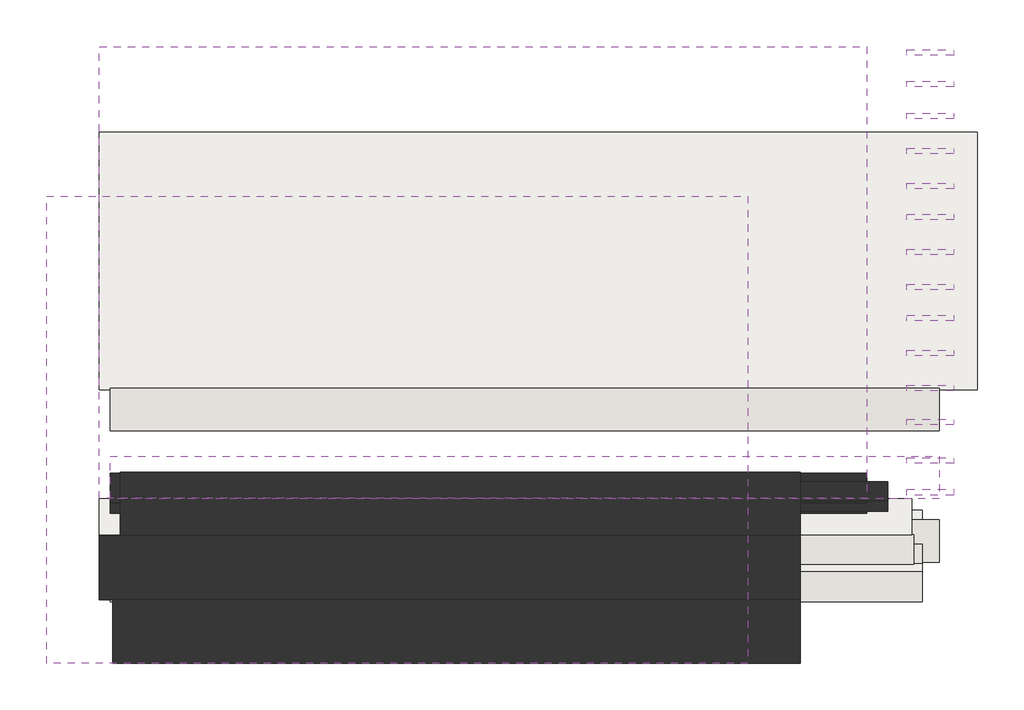
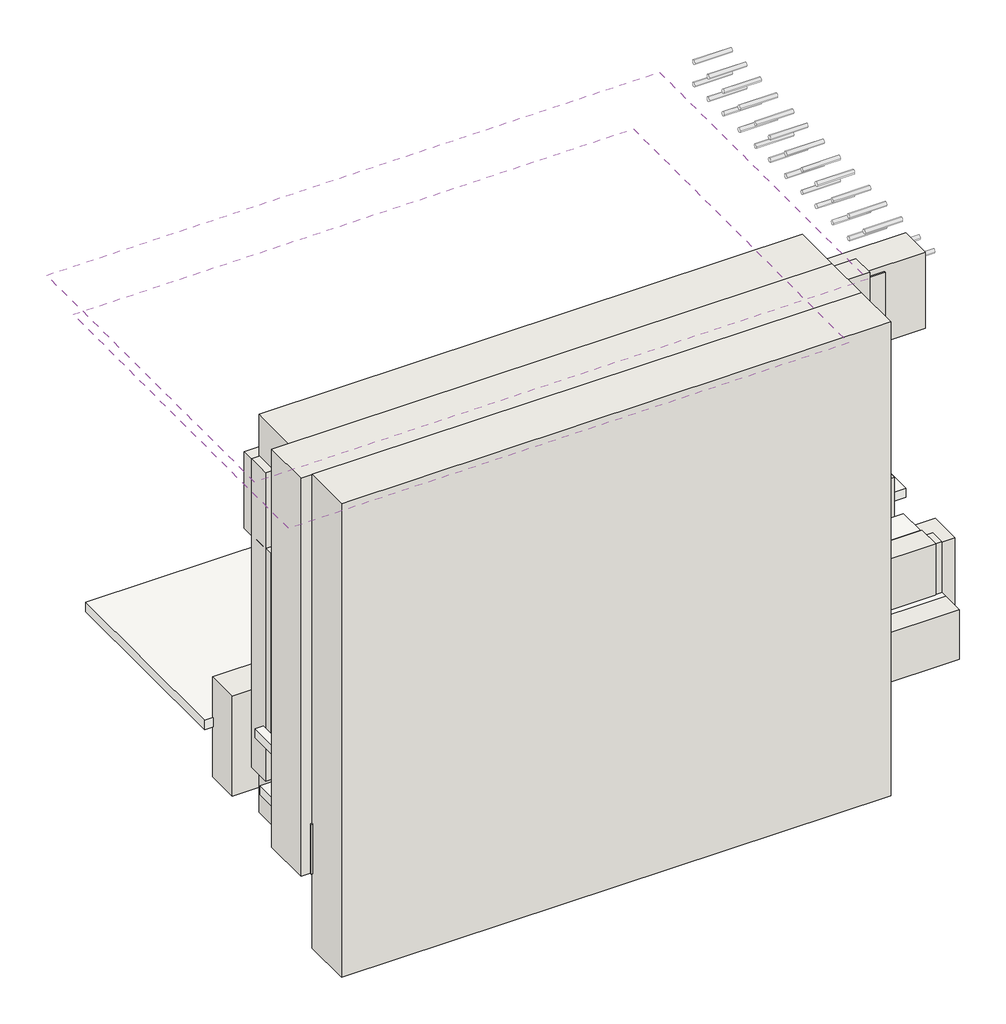
# One storey: 26 pipe segments, 13 walls, 5 coverings.
"""IFC4 building model written with IfcOpenShell, lengths in millimetres."""

from ifc_helpers import new_model, si_unit, point, frame, frame_2d, origin, place, context, project, spatial, polyline, circle_curve, trimmed, segment, composite_curve, outline, extrude, element, save

model = new_model("IFC4")

# Units and contexts
model_context = context("Model", 3, world=origin())
ifc_project = project(units=[si_unit("LENGTHUNIT", "METRE", prefix="MILLI")], contexts=[model_context])

# Site, building, storey
site = spatial("IfcSite", under=ifc_project)
building = spatial("IfcBuilding", under=site)
storey = spatial("IfcBuildingStorey", under=building, Elevation=0.0)

# Coverings
placement = place(None, origin())
element("IfcCovering", 1, at=placement, inside=storey, context=model_context, shape_type="SweptSolid", body=[
    extrude(outline(polyline([(10173.9819706, -17975.2217663), (10173.9819706, -19187.2169509), (6043.0924071, -19187.2169509), (6043.0924071, -17975.2217663), (10173.9819706, -17975.2217663)])), frame((0.0, 0.0, 595.0), z_axis=(0.0, 0.0, 1.0), x_axis=(1.0, 0.0, 0.0)), (0.0, 0.0, 1.0), 57.0),
])
element("IfcCovering", 2, at=placement, inside=storey, context=model_context, shape_type="SweptSolid", body=[
    extrude(outline(polyline([(9913.9819706, -19754.264991), (9913.9819706, -20049.264991), (6043.0924071, -20049.264991), (6043.0924071, -19754.264991), (9913.9819706, -19754.264991)])), frame((0.0, 0.0, 532.674134), z_axis=(0.0, 0.0, 1.0), x_axis=(1.0, 0.0, 0.0)), (0.0, 0.0, 1.0), 57.0),
])
element("IfcCovering", 3, at=placement, inside=storey, context=model_context, shape_type="SweptSolid", body=[
    extrude(outline(polyline([(9863.9819706, -19699.595135), (9863.9819706, -19869.595135), (6043.0924071, -19869.595135), (6043.0924071, -19699.595135), (9863.9819706, -19699.595135)])), frame((0.0, 0.0, 855.0), z_axis=(0.0, 0.0, 1.0), x_axis=(1.0, 0.0, 0.0)), (0.0, 0.0, 1.0), 57.0),
])
element("IfcCovering", 4, at=placement, inside=storey, context=model_context, shape_type="SweptSolid", body=[
    extrude(outline(polyline([(9093.9819706, -18276.8437339), (9093.9819706, -20474.7053603), (5793.9819706, -20474.7053603), (5793.9819706, -18276.8437339), (9093.9819706, -18276.8437339)])), frame((0.0, 0.0, 2715.0), z_axis=(0.0, 0.0, 1.0), x_axis=(1.0, 0.0, 0.0)), (0.0, 0.0, 1.0), 52.0),
])
element("IfcCovering", 5, at=placement, inside=storey, context=model_context, shape_type="SweptSolid", body=[
    extrude(outline(polyline([(9653.9819706, -17573.0223978), (9653.9819706, -19697.9442943), (6043.0924071, -19697.9442943), (6043.0924071, -17573.0223978), (9653.9819706, -17573.0223978)])), frame((0.0, 0.0, 2445.0), z_axis=(0.0, 0.0, 1.0), x_axis=(1.0, 0.0, 0.0)), (0.0, 0.0, 1.0), 57.0),
])

# Pipe segments
element("IfcPipeSegment", 6, at=placement, inside=storey, context=model_context, shape_type="SweptSolid", body=[
    extrude(outline(composite_curve([segment(trimmed(circle_curve(frame_2d((-19339.7053603, 2456.6685523)), 13.335), [point((-19326.3703603, 2456.6685523))], [point((-19339.7053603, 2443.3335523))], False, "CARTESIAN"), True, "CONTINUOUS"), segment(trimmed(circle_curve(frame_2d((-19339.7053603, 2456.6685523)), 13.335), [point((-19339.7053603, 2443.3335523))], [point((-19353.0403603, 2456.6685523))], False, "CARTESIAN"), True, "CONTINUOUS"), segment(trimmed(circle_curve(frame_2d((-19339.7053603, 2456.6685523)), 13.335), [point((-19353.0403603, 2456.6685523))], [point((-19339.7053603, 2470.0035523))], False, "CARTESIAN"), True, "CONTINUOUS"), segment(trimmed(circle_curve(frame_2d((-19339.7053603, 2456.6685523)), 13.335), [point((-19339.7053603, 2470.0035523))], [point((-19326.3703603, 2456.6685523))], False, "CARTESIAN"), True, "CONTINUOUS")], self_intersect=False)), frame((9841.4301299, 0.0, 0.0), z_axis=(1.0, 0.0, 0.0), x_axis=(0.0, 1.0, 0.0)), (0.0, 0.0, 1.0), 220.0),
])
element("IfcPipeSegment", 7, at=placement, inside=storey, context=model_context, shape_type="SweptSolid", body=[
    extrude(outline(composite_curve([segment(trimmed(circle_curve(frame_2d((-19179.7053603, 2456.6685523)), 13.335), [point((-19166.3703603, 2456.6685523))], [point((-19179.7053603, 2443.3335523))], False, "CARTESIAN"), True, "CONTINUOUS"), segment(trimmed(circle_curve(frame_2d((-19179.7053603, 2456.6685523)), 13.335), [point((-19179.7053603, 2443.3335523))], [point((-19193.0403603, 2456.6685523))], False, "CARTESIAN"), True, "CONTINUOUS"), segment(trimmed(circle_curve(frame_2d((-19179.7053603, 2456.6685523)), 13.335), [point((-19193.0403603, 2456.6685523))], [point((-19179.7053603, 2470.0035523))], False, "CARTESIAN"), True, "CONTINUOUS"), segment(trimmed(circle_curve(frame_2d((-19179.7053603, 2456.6685523)), 13.335), [point((-19179.7053603, 2470.0035523))], [point((-19166.3703603, 2456.6685523))], False, "CARTESIAN"), True, "CONTINUOUS")], self_intersect=False)), frame((9841.4301299, 0.0, 0.0), z_axis=(1.0, 0.0, 0.0), x_axis=(0.0, 1.0, 0.0)), (0.0, 0.0, 1.0), 220.0),
])
element("IfcPipeSegment", 8, at=placement, inside=storey, context=model_context, shape_type="SweptSolid", body=[
    extrude(outline(composite_curve([segment(trimmed(circle_curve(frame_2d((-19014.7053603, 2456.6685523)), 13.335), [point((-19001.3703603, 2456.6685523))], [point((-19014.7053603, 2443.3335523))], False, "CARTESIAN"), True, "CONTINUOUS"), segment(trimmed(circle_curve(frame_2d((-19014.7053603, 2456.6685523)), 13.335), [point((-19014.7053603, 2443.3335523))], [point((-19028.0403603, 2456.6685523))], False, "CARTESIAN"), True, "CONTINUOUS"), segment(trimmed(circle_curve(frame_2d((-19014.7053603, 2456.6685523)), 13.335), [point((-19028.0403603, 2456.6685523))], [point((-19014.7053603, 2470.0035523))], False, "CARTESIAN"), True, "CONTINUOUS"), segment(trimmed(circle_curve(frame_2d((-19014.7053603, 2456.6685523)), 13.335), [point((-19014.7053603, 2470.0035523))], [point((-19001.3703603, 2456.6685523))], False, "CARTESIAN"), True, "CONTINUOUS")], self_intersect=False)), frame((9841.4301299, 0.0, 0.0), z_axis=(1.0, 0.0, 0.0), x_axis=(0.0, 1.0, 0.0)), (0.0, 0.0, 1.0), 220.0),
])
element("IfcPipeSegment", 9, at=placement, inside=storey, context=model_context, shape_type="SweptSolid", body=[
    extrude(outline(composite_curve([segment(trimmed(circle_curve(frame_2d((-18849.7053603, 2456.6685523)), 13.335), [point((-18836.3703603, 2456.6685523))], [point((-18849.7053603, 2443.3335523))], False, "CARTESIAN"), True, "CONTINUOUS"), segment(trimmed(circle_curve(frame_2d((-18849.7053603, 2456.6685523)), 13.335), [point((-18849.7053603, 2443.3335523))], [point((-18863.0403603, 2456.6685523))], False, "CARTESIAN"), True, "CONTINUOUS"), segment(trimmed(circle_curve(frame_2d((-18849.7053603, 2456.6685523)), 13.335), [point((-18863.0403603, 2456.6685523))], [point((-18849.7053603, 2470.0035523))], False, "CARTESIAN"), True, "CONTINUOUS"), segment(trimmed(circle_curve(frame_2d((-18849.7053603, 2456.6685523)), 13.335), [point((-18849.7053603, 2470.0035523))], [point((-18836.3703603, 2456.6685523))], False, "CARTESIAN"), True, "CONTINUOUS")], self_intersect=False)), frame((9841.4301299, 0.0, 0.0), z_axis=(1.0, 0.0, 0.0), x_axis=(0.0, 1.0, 0.0)), (0.0, 0.0, 1.0), 220.0),
])
element("IfcPipeSegment", 10, at=placement, inside=storey, context=model_context, shape_type="SweptSolid", body=[
    extrude(outline(composite_curve([segment(trimmed(circle_curve(frame_2d((-18704.7053603, 2456.6685523)), 13.335), [point((-18691.3703603, 2456.6685523))], [point((-18704.7053603, 2443.3335523))], False, "CARTESIAN"), True, "CONTINUOUS"), segment(trimmed(circle_curve(frame_2d((-18704.7053603, 2456.6685523)), 13.335), [point((-18704.7053603, 2443.3335523))], [point((-18718.0403603, 2456.6685523))], False, "CARTESIAN"), True, "CONTINUOUS"), segment(trimmed(circle_curve(frame_2d((-18704.7053603, 2456.6685523)), 13.335), [point((-18718.0403603, 2456.6685523))], [point((-18704.7053603, 2470.0035523))], False, "CARTESIAN"), True, "CONTINUOUS"), segment(trimmed(circle_curve(frame_2d((-18704.7053603, 2456.6685523)), 13.335), [point((-18704.7053603, 2470.0035523))], [point((-18691.3703603, 2456.6685523))], False, "CARTESIAN"), True, "CONTINUOUS")], self_intersect=False)), frame((9841.4301299, 0.0, 0.0), z_axis=(1.0, 0.0, 0.0), x_axis=(0.0, 1.0, 0.0)), (0.0, 0.0, 1.0), 220.0),
])
element("IfcPipeSegment", 11, at=placement, inside=storey, context=model_context, shape_type="SweptSolid", body=[
    extrude(outline(composite_curve([segment(trimmed(circle_curve(frame_2d((-18539.7053603, 2456.6685523)), 13.335), [point((-18526.3703603, 2456.6685523))], [point((-18539.7053603, 2443.3335523))], False, "CARTESIAN"), True, "CONTINUOUS"), segment(trimmed(circle_curve(frame_2d((-18539.7053603, 2456.6685523)), 13.335), [point((-18539.7053603, 2443.3335523))], [point((-18553.0403603, 2456.6685523))], False, "CARTESIAN"), True, "CONTINUOUS"), segment(trimmed(circle_curve(frame_2d((-18539.7053603, 2456.6685523)), 13.335), [point((-18553.0403603, 2456.6685523))], [point((-18539.7053603, 2470.0035523))], False, "CARTESIAN"), True, "CONTINUOUS"), segment(trimmed(circle_curve(frame_2d((-18539.7053603, 2456.6685523)), 13.335), [point((-18539.7053603, 2470.0035523))], [point((-18526.3703603, 2456.6685523))], False, "CARTESIAN"), True, "CONTINUOUS")], self_intersect=False)), frame((9841.4301299, 0.0, 0.0), z_axis=(1.0, 0.0, 0.0), x_axis=(0.0, 1.0, 0.0)), (0.0, 0.0, 1.0), 220.0),
])
element("IfcPipeSegment", 12, at=placement, inside=storey, context=model_context, shape_type="SweptSolid", body=[
    extrude(outline(composite_curve([segment(trimmed(circle_curve(frame_2d((-18374.7053603, 2456.6685523)), 13.335), [point((-18361.3703603, 2456.6685523))], [point((-18374.7053603, 2443.3335523))], False, "CARTESIAN"), True, "CONTINUOUS"), segment(trimmed(circle_curve(frame_2d((-18374.7053603, 2456.6685523)), 13.335), [point((-18374.7053603, 2443.3335523))], [point((-18388.0403603, 2456.6685523))], False, "CARTESIAN"), True, "CONTINUOUS"), segment(trimmed(circle_curve(frame_2d((-18374.7053603, 2456.6685523)), 13.335), [point((-18388.0403603, 2456.6685523))], [point((-18374.7053603, 2470.0035523))], False, "CARTESIAN"), True, "CONTINUOUS"), segment(trimmed(circle_curve(frame_2d((-18374.7053603, 2456.6685523)), 13.335), [point((-18374.7053603, 2470.0035523))], [point((-18361.3703603, 2456.6685523))], False, "CARTESIAN"), True, "CONTINUOUS")], self_intersect=False)), frame((9841.4301299, 0.0, 0.0), z_axis=(1.0, 0.0, 0.0), x_axis=(0.0, 1.0, 0.0)), (0.0, 0.0, 1.0), 220.0),
])
element("IfcPipeSegment", 13, at=placement, inside=storey, context=model_context, shape_type="SweptSolid", body=[
    extrude(outline(composite_curve([segment(trimmed(circle_curve(frame_2d((-18229.7053603, 2456.6685523)), 13.335), [point((-18216.3703603, 2456.6685523))], [point((-18229.7053603, 2443.3335523))], False, "CARTESIAN"), True, "CONTINUOUS"), segment(trimmed(circle_curve(frame_2d((-18229.7053603, 2456.6685523)), 13.335), [point((-18229.7053603, 2443.3335523))], [point((-18243.0403603, 2456.6685523))], False, "CARTESIAN"), True, "CONTINUOUS"), segment(trimmed(circle_curve(frame_2d((-18229.7053603, 2456.6685523)), 13.335), [point((-18243.0403603, 2456.6685523))], [point((-18229.7053603, 2470.0035523))], False, "CARTESIAN"), True, "CONTINUOUS"), segment(trimmed(circle_curve(frame_2d((-18229.7053603, 2456.6685523)), 13.335), [point((-18229.7053603, 2470.0035523))], [point((-18216.3703603, 2456.6685523))], False, "CARTESIAN"), True, "CONTINUOUS")], self_intersect=False)), frame((9841.4301299, 0.0, 0.0), z_axis=(1.0, 0.0, 0.0), x_axis=(0.0, 1.0, 0.0)), (0.0, 0.0, 1.0), 220.0),
])
element("IfcPipeSegment", 14, at=placement, inside=storey, context=model_context, shape_type="SweptSolid", body=[
    extrude(outline(composite_curve([segment(trimmed(circle_curve(frame_2d((-18064.7053603, 2456.6685523)), 13.335), [point((-18051.3703603, 2456.6685523))], [point((-18064.7053603, 2443.3335523))], False, "CARTESIAN"), True, "CONTINUOUS"), segment(trimmed(circle_curve(frame_2d((-18064.7053603, 2456.6685523)), 13.335), [point((-18064.7053603, 2443.3335523))], [point((-18078.0403603, 2456.6685523))], False, "CARTESIAN"), True, "CONTINUOUS"), segment(trimmed(circle_curve(frame_2d((-18064.7053603, 2456.6685523)), 13.335), [point((-18078.0403603, 2456.6685523))], [point((-18064.7053603, 2470.0035523))], False, "CARTESIAN"), True, "CONTINUOUS"), segment(trimmed(circle_curve(frame_2d((-18064.7053603, 2456.6685523)), 13.335), [point((-18064.7053603, 2470.0035523))], [point((-18051.3703603, 2456.6685523))], False, "CARTESIAN"), True, "CONTINUOUS")], self_intersect=False)), frame((9841.4301299, 0.0, 0.0), z_axis=(1.0, 0.0, 0.0), x_axis=(0.0, 1.0, 0.0)), (0.0, 0.0, 1.0), 220.0),
])
element("IfcPipeSegment", 15, at=placement, inside=storey, context=model_context, shape_type="SweptSolid", body=[
    extrude(outline(composite_curve([segment(trimmed(circle_curve(frame_2d((-17899.7053603, 2456.6685523)), 13.335), [point((-17886.3703603, 2456.6685523))], [point((-17899.7053603, 2443.3335523))], False, "CARTESIAN"), True, "CONTINUOUS"), segment(trimmed(circle_curve(frame_2d((-17899.7053603, 2456.6685523)), 13.335), [point((-17899.7053603, 2443.3335523))], [point((-17913.0403603, 2456.6685523))], False, "CARTESIAN"), True, "CONTINUOUS"), segment(trimmed(circle_curve(frame_2d((-17899.7053603, 2456.6685523)), 13.335), [point((-17913.0403603, 2456.6685523))], [point((-17899.7053603, 2470.0035523))], False, "CARTESIAN"), True, "CONTINUOUS"), segment(trimmed(circle_curve(frame_2d((-17899.7053603, 2456.6685523)), 13.335), [point((-17899.7053603, 2470.0035523))], [point((-17886.3703603, 2456.6685523))], False, "CARTESIAN"), True, "CONTINUOUS")], self_intersect=False)), frame((9841.4301299, 0.0, 0.0), z_axis=(1.0, 0.0, 0.0), x_axis=(0.0, 1.0, 0.0)), (0.0, 0.0, 1.0), 220.0),
])
element("IfcPipeSegment", 16, at=placement, inside=storey, context=model_context, shape_type="SweptSolid", body=[
    extrude(outline(composite_curve([segment(trimmed(circle_curve(frame_2d((-17749.7053603, 2456.6685523)), 13.335), [point((-17736.3703603, 2456.6685523))], [point((-17749.7053603, 2443.3335523))], False, "CARTESIAN"), True, "CONTINUOUS"), segment(trimmed(circle_curve(frame_2d((-17749.7053603, 2456.6685523)), 13.335), [point((-17749.7053603, 2443.3335523))], [point((-17763.0403603, 2456.6685523))], False, "CARTESIAN"), True, "CONTINUOUS"), segment(trimmed(circle_curve(frame_2d((-17749.7053603, 2456.6685523)), 13.335), [point((-17763.0403603, 2456.6685523))], [point((-17749.7053603, 2470.0035523))], False, "CARTESIAN"), True, "CONTINUOUS"), segment(trimmed(circle_curve(frame_2d((-17749.7053603, 2456.6685523)), 13.335), [point((-17749.7053603, 2470.0035523))], [point((-17736.3703603, 2456.6685523))], False, "CARTESIAN"), True, "CONTINUOUS")], self_intersect=False)), frame((9841.4301299, 0.0, 0.0), z_axis=(1.0, 0.0, 0.0), x_axis=(0.0, 1.0, 0.0)), (0.0, 0.0, 1.0), 220.0),
])
element("IfcPipeSegment", 17, at=placement, inside=storey, context=model_context, shape_type="SweptSolid", body=[
    extrude(outline(composite_curve([segment(trimmed(circle_curve(frame_2d((-17601.5187281, 2457.5092207)), 13.335), [point((-17588.1837281, 2457.5092207))], [point((-17601.5187281, 2444.1742207))], False, "CARTESIAN"), True, "CONTINUOUS"), segment(trimmed(circle_curve(frame_2d((-17601.5187281, 2457.5092207)), 13.335), [point((-17601.5187281, 2444.1742207))], [point((-17614.8537281, 2457.5092207))], False, "CARTESIAN"), True, "CONTINUOUS"), segment(trimmed(circle_curve(frame_2d((-17601.5187281, 2457.5092207)), 13.335), [point((-17614.8537281, 2457.5092207))], [point((-17601.5187281, 2470.8442207))], False, "CARTESIAN"), True, "CONTINUOUS"), segment(trimmed(circle_curve(frame_2d((-17601.5187281, 2457.5092207)), 13.335), [point((-17601.5187281, 2470.8442207))], [point((-17588.1837281, 2457.5092207))], False, "CARTESIAN"), True, "CONTINUOUS")], self_intersect=False)), frame((9841.4301299, 0.0, 0.0), z_axis=(1.0, 0.0, 0.0), x_axis=(0.0, 1.0, 0.0)), (0.0, 0.0, 1.0), 220.0),
])
element("IfcPipeSegment", 18, at=placement, inside=storey, context=model_context, shape_type="SweptSolid", body=[
    extrude(outline(composite_curve([segment(trimmed(circle_curve(frame_2d((-19339.7053603, 2316.6685523)), 13.335), [point((-19326.3703603, 2316.6685523))], [point((-19339.7053603, 2303.3335523))], False, "CARTESIAN"), True, "CONTINUOUS"), segment(trimmed(circle_curve(frame_2d((-19339.7053603, 2316.6685523)), 13.335), [point((-19339.7053603, 2303.3335523))], [point((-19353.0403603, 2316.6685523))], False, "CARTESIAN"), True, "CONTINUOUS"), segment(trimmed(circle_curve(frame_2d((-19339.7053603, 2316.6685523)), 13.335), [point((-19353.0403603, 2316.6685523))], [point((-19339.7053603, 2330.0035523))], False, "CARTESIAN"), True, "CONTINUOUS"), segment(trimmed(circle_curve(frame_2d((-19339.7053603, 2316.6685523)), 13.335), [point((-19339.7053603, 2330.0035523))], [point((-19326.3703603, 2316.6685523))], False, "CARTESIAN"), True, "CONTINUOUS")], self_intersect=False)), frame((9841.4301299, 0.0, 0.0), z_axis=(1.0, 0.0, 0.0), x_axis=(0.0, 1.0, 0.0)), (0.0, 0.0, 1.0), 220.0),
])
element("IfcPipeSegment", 19, at=placement, inside=storey, context=model_context, shape_type="SweptSolid", body=[
    extrude(outline(composite_curve([segment(trimmed(circle_curve(frame_2d((-19179.7053603, 2316.6685523)), 13.335), [point((-19166.3703603, 2316.6685523))], [point((-19179.7053603, 2303.3335523))], False, "CARTESIAN"), True, "CONTINUOUS"), segment(trimmed(circle_curve(frame_2d((-19179.7053603, 2316.6685523)), 13.335), [point((-19179.7053603, 2303.3335523))], [point((-19193.0403603, 2316.6685523))], False, "CARTESIAN"), True, "CONTINUOUS"), segment(trimmed(circle_curve(frame_2d((-19179.7053603, 2316.6685523)), 13.335), [point((-19193.0403603, 2316.6685523))], [point((-19179.7053603, 2330.0035523))], False, "CARTESIAN"), True, "CONTINUOUS"), segment(trimmed(circle_curve(frame_2d((-19179.7053603, 2316.6685523)), 13.335), [point((-19179.7053603, 2330.0035523))], [point((-19166.3703603, 2316.6685523))], False, "CARTESIAN"), True, "CONTINUOUS")], self_intersect=False)), frame((9841.4301299, 0.0, 0.0), z_axis=(1.0, 0.0, 0.0), x_axis=(0.0, 1.0, 0.0)), (0.0, 0.0, 1.0), 220.0),
])
element("IfcPipeSegment", 20, at=placement, inside=storey, context=model_context, shape_type="SweptSolid", body=[
    extrude(outline(composite_curve([segment(trimmed(circle_curve(frame_2d((-19014.7053603, 2316.6685523)), 13.335), [point((-19001.3703603, 2316.6685523))], [point((-19014.7053603, 2303.3335523))], False, "CARTESIAN"), True, "CONTINUOUS"), segment(trimmed(circle_curve(frame_2d((-19014.7053603, 2316.6685523)), 13.335), [point((-19014.7053603, 2303.3335523))], [point((-19028.0403603, 2316.6685523))], False, "CARTESIAN"), True, "CONTINUOUS"), segment(trimmed(circle_curve(frame_2d((-19014.7053603, 2316.6685523)), 13.335), [point((-19028.0403603, 2316.6685523))], [point((-19014.7053603, 2330.0035523))], False, "CARTESIAN"), True, "CONTINUOUS"), segment(trimmed(circle_curve(frame_2d((-19014.7053603, 2316.6685523)), 13.335), [point((-19014.7053603, 2330.0035523))], [point((-19001.3703603, 2316.6685523))], False, "CARTESIAN"), True, "CONTINUOUS")], self_intersect=False)), frame((9841.4301299, 0.0, 0.0), z_axis=(1.0, 0.0, 0.0), x_axis=(0.0, 1.0, 0.0)), (0.0, 0.0, 1.0), 220.0),
])
element("IfcPipeSegment", 21, at=placement, inside=storey, context=model_context, shape_type="SweptSolid", body=[
    extrude(outline(composite_curve([segment(trimmed(circle_curve(frame_2d((-18849.7053603, 2316.6685523)), 13.335), [point((-18836.3703603, 2316.6685523))], [point((-18849.7053603, 2303.3335523))], False, "CARTESIAN"), True, "CONTINUOUS"), segment(trimmed(circle_curve(frame_2d((-18849.7053603, 2316.6685523)), 13.335), [point((-18849.7053603, 2303.3335523))], [point((-18863.0403603, 2316.6685523))], False, "CARTESIAN"), True, "CONTINUOUS"), segment(trimmed(circle_curve(frame_2d((-18849.7053603, 2316.6685523)), 13.335), [point((-18863.0403603, 2316.6685523))], [point((-18849.7053603, 2330.0035523))], False, "CARTESIAN"), True, "CONTINUOUS"), segment(trimmed(circle_curve(frame_2d((-18849.7053603, 2316.6685523)), 13.335), [point((-18849.7053603, 2330.0035523))], [point((-18836.3703603, 2316.6685523))], False, "CARTESIAN"), True, "CONTINUOUS")], self_intersect=False)), frame((9841.4301299, 0.0, 0.0), z_axis=(1.0, 0.0, 0.0), x_axis=(0.0, 1.0, 0.0)), (0.0, 0.0, 1.0), 220.0),
])
element("IfcPipeSegment", 22, at=placement, inside=storey, context=model_context, shape_type="SweptSolid", body=[
    extrude(outline(composite_curve([segment(trimmed(circle_curve(frame_2d((-18704.7053603, 2316.6685523)), 13.335), [point((-18691.3703603, 2316.6685523))], [point((-18704.7053603, 2303.3335523))], False, "CARTESIAN"), True, "CONTINUOUS"), segment(trimmed(circle_curve(frame_2d((-18704.7053603, 2316.6685523)), 13.335), [point((-18704.7053603, 2303.3335523))], [point((-18718.0403603, 2316.6685523))], False, "CARTESIAN"), True, "CONTINUOUS"), segment(trimmed(circle_curve(frame_2d((-18704.7053603, 2316.6685523)), 13.335), [point((-18718.0403603, 2316.6685523))], [point((-18704.7053603, 2330.0035523))], False, "CARTESIAN"), True, "CONTINUOUS"), segment(trimmed(circle_curve(frame_2d((-18704.7053603, 2316.6685523)), 13.335), [point((-18704.7053603, 2330.0035523))], [point((-18691.3703603, 2316.6685523))], False, "CARTESIAN"), True, "CONTINUOUS")], self_intersect=False)), frame((9841.4301299, 0.0, 0.0), z_axis=(1.0, 0.0, 0.0), x_axis=(0.0, 1.0, 0.0)), (0.0, 0.0, 1.0), 220.0),
])
element("IfcPipeSegment", 23, at=placement, inside=storey, context=model_context, shape_type="SweptSolid", body=[
    extrude(outline(composite_curve([segment(trimmed(circle_curve(frame_2d((-18539.7053603, 2316.6685523)), 13.335), [point((-18526.3703603, 2316.6685523))], [point((-18539.7053603, 2303.3335523))], False, "CARTESIAN"), True, "CONTINUOUS"), segment(trimmed(circle_curve(frame_2d((-18539.7053603, 2316.6685523)), 13.335), [point((-18539.7053603, 2303.3335523))], [point((-18553.0403603, 2316.6685523))], False, "CARTESIAN"), True, "CONTINUOUS"), segment(trimmed(circle_curve(frame_2d((-18539.7053603, 2316.6685523)), 13.335), [point((-18553.0403603, 2316.6685523))], [point((-18539.7053603, 2330.0035523))], False, "CARTESIAN"), True, "CONTINUOUS"), segment(trimmed(circle_curve(frame_2d((-18539.7053603, 2316.6685523)), 13.335), [point((-18539.7053603, 2330.0035523))], [point((-18526.3703603, 2316.6685523))], False, "CARTESIAN"), True, "CONTINUOUS")], self_intersect=False)), frame((9841.4301299, 0.0, 0.0), z_axis=(1.0, 0.0, 0.0), x_axis=(0.0, 1.0, 0.0)), (0.0, 0.0, 1.0), 220.0),
])
element("IfcPipeSegment", 24, at=placement, inside=storey, context=model_context, shape_type="SweptSolid", body=[
    extrude(outline(composite_curve([segment(trimmed(circle_curve(frame_2d((-18374.7053603, 2316.6685523)), 13.335), [point((-18361.3703603, 2316.6685523))], [point((-18374.7053603, 2303.3335523))], False, "CARTESIAN"), True, "CONTINUOUS"), segment(trimmed(circle_curve(frame_2d((-18374.7053603, 2316.6685523)), 13.335), [point((-18374.7053603, 2303.3335523))], [point((-18388.0403603, 2316.6685523))], False, "CARTESIAN"), True, "CONTINUOUS"), segment(trimmed(circle_curve(frame_2d((-18374.7053603, 2316.6685523)), 13.335), [point((-18388.0403603, 2316.6685523))], [point((-18374.7053603, 2330.0035523))], False, "CARTESIAN"), True, "CONTINUOUS"), segment(trimmed(circle_curve(frame_2d((-18374.7053603, 2316.6685523)), 13.335), [point((-18374.7053603, 2330.0035523))], [point((-18361.3703603, 2316.6685523))], False, "CARTESIAN"), True, "CONTINUOUS")], self_intersect=False)), frame((9841.4301299, 0.0, 0.0), z_axis=(1.0, 0.0, 0.0), x_axis=(0.0, 1.0, 0.0)), (0.0, 0.0, 1.0), 220.0),
])
element("IfcPipeSegment", 25, at=placement, inside=storey, context=model_context, shape_type="SweptSolid", body=[
    extrude(outline(composite_curve([segment(trimmed(circle_curve(frame_2d((-18229.7053603, 2316.6685523)), 13.335), [point((-18216.3703603, 2316.6685523))], [point((-18229.7053603, 2303.3335523))], False, "CARTESIAN"), True, "CONTINUOUS"), segment(trimmed(circle_curve(frame_2d((-18229.7053603, 2316.6685523)), 13.335), [point((-18229.7053603, 2303.3335523))], [point((-18243.0403603, 2316.6685523))], False, "CARTESIAN"), True, "CONTINUOUS"), segment(trimmed(circle_curve(frame_2d((-18229.7053603, 2316.6685523)), 13.335), [point((-18243.0403603, 2316.6685523))], [point((-18229.7053603, 2330.0035523))], False, "CARTESIAN"), True, "CONTINUOUS"), segment(trimmed(circle_curve(frame_2d((-18229.7053603, 2316.6685523)), 13.335), [point((-18229.7053603, 2330.0035523))], [point((-18216.3703603, 2316.6685523))], False, "CARTESIAN"), True, "CONTINUOUS")], self_intersect=False)), frame((9841.4301299, 0.0, 0.0), z_axis=(1.0, 0.0, 0.0), x_axis=(0.0, 1.0, 0.0)), (0.0, 0.0, 1.0), 220.0),
])
element("IfcPipeSegment", 26, at=placement, inside=storey, context=model_context, shape_type="SweptSolid", body=[
    extrude(outline(composite_curve([segment(trimmed(circle_curve(frame_2d((-18064.7053603, 2316.6685523)), 13.335), [point((-18051.3703603, 2316.6685523))], [point((-18064.7053603, 2303.3335523))], False, "CARTESIAN"), True, "CONTINUOUS"), segment(trimmed(circle_curve(frame_2d((-18064.7053603, 2316.6685523)), 13.335), [point((-18064.7053603, 2303.3335523))], [point((-18078.0403603, 2316.6685523))], False, "CARTESIAN"), True, "CONTINUOUS"), segment(trimmed(circle_curve(frame_2d((-18064.7053603, 2316.6685523)), 13.335), [point((-18078.0403603, 2316.6685523))], [point((-18064.7053603, 2330.0035523))], False, "CARTESIAN"), True, "CONTINUOUS"), segment(trimmed(circle_curve(frame_2d((-18064.7053603, 2316.6685523)), 13.335), [point((-18064.7053603, 2330.0035523))], [point((-18051.3703603, 2316.6685523))], False, "CARTESIAN"), True, "CONTINUOUS")], self_intersect=False)), frame((9841.4301299, 0.0, 0.0), z_axis=(1.0, 0.0, 0.0), x_axis=(0.0, 1.0, 0.0)), (0.0, 0.0, 1.0), 220.0),
])
element("IfcPipeSegment", 27, at=placement, inside=storey, context=model_context, shape_type="SweptSolid", body=[
    extrude(outline(composite_curve([segment(trimmed(circle_curve(frame_2d((-17899.7053603, 2316.6685523)), 13.335), [point((-17886.3703603, 2316.6685523))], [point((-17899.7053603, 2303.3335523))], False, "CARTESIAN"), True, "CONTINUOUS"), segment(trimmed(circle_curve(frame_2d((-17899.7053603, 2316.6685523)), 13.335), [point((-17899.7053603, 2303.3335523))], [point((-17913.0403603, 2316.6685523))], False, "CARTESIAN"), True, "CONTINUOUS"), segment(trimmed(circle_curve(frame_2d((-17899.7053603, 2316.6685523)), 13.335), [point((-17913.0403603, 2316.6685523))], [point((-17899.7053603, 2330.0035523))], False, "CARTESIAN"), True, "CONTINUOUS"), segment(trimmed(circle_curve(frame_2d((-17899.7053603, 2316.6685523)), 13.335), [point((-17899.7053603, 2330.0035523))], [point((-17886.3703603, 2316.6685523))], False, "CARTESIAN"), True, "CONTINUOUS")], self_intersect=False)), frame((9841.4301299, 0.0, 0.0), z_axis=(1.0, 0.0, 0.0), x_axis=(0.0, 1.0, 0.0)), (0.0, 0.0, 1.0), 220.0),
])
element("IfcPipeSegment", 28, at=placement, inside=storey, context=model_context, shape_type="SweptSolid", body=[
    extrude(outline(composite_curve([segment(trimmed(circle_curve(frame_2d((-17749.7053603, 2316.6685523)), 13.335), [point((-17736.3703603, 2316.6685523))], [point((-17749.7053603, 2303.3335523))], False, "CARTESIAN"), True, "CONTINUOUS"), segment(trimmed(circle_curve(frame_2d((-17749.7053603, 2316.6685523)), 13.335), [point((-17749.7053603, 2303.3335523))], [point((-17763.0403603, 2316.6685523))], False, "CARTESIAN"), True, "CONTINUOUS"), segment(trimmed(circle_curve(frame_2d((-17749.7053603, 2316.6685523)), 13.335), [point((-17763.0403603, 2316.6685523))], [point((-17749.7053603, 2330.0035523))], False, "CARTESIAN"), True, "CONTINUOUS"), segment(trimmed(circle_curve(frame_2d((-17749.7053603, 2316.6685523)), 13.335), [point((-17749.7053603, 2330.0035523))], [point((-17736.3703603, 2316.6685523))], False, "CARTESIAN"), True, "CONTINUOUS")], self_intersect=False)), frame((9841.4301299, 0.0, 0.0), z_axis=(1.0, 0.0, 0.0), x_axis=(0.0, 1.0, 0.0)), (0.0, 0.0, 1.0), 220.0),
])
element("IfcPipeSegment", 29, at=placement, inside=storey, context=model_context, shape_type="SweptSolid", body=[
    extrude(outline(composite_curve([segment(trimmed(circle_curve(frame_2d((-17601.5187281, 2317.5092207)), 13.335), [point((-17588.1837281, 2317.5092207))], [point((-17601.5187281, 2304.1742207))], False, "CARTESIAN"), True, "CONTINUOUS"), segment(trimmed(circle_curve(frame_2d((-17601.5187281, 2317.5092207)), 13.335), [point((-17601.5187281, 2304.1742207))], [point((-17614.8537281, 2317.5092207))], False, "CARTESIAN"), True, "CONTINUOUS"), segment(trimmed(circle_curve(frame_2d((-17601.5187281, 2317.5092207)), 13.335), [point((-17614.8537281, 2317.5092207))], [point((-17601.5187281, 2330.8442207))], False, "CARTESIAN"), True, "CONTINUOUS"), segment(trimmed(circle_curve(frame_2d((-17601.5187281, 2317.5092207)), 13.335), [point((-17601.5187281, 2330.8442207))], [point((-17588.1837281, 2317.5092207))], False, "CARTESIAN"), True, "CONTINUOUS")], self_intersect=False)), frame((9841.4301299, 0.0, 0.0), z_axis=(1.0, 0.0, 0.0), x_axis=(0.0, 1.0, 0.0)), (0.0, 0.0, 1.0), 220.0),
])
element("IfcPipeSegment", 30, at=placement, inside=storey, context=model_context, shape_type="SweptSolid", body=[
    extrude(outline(composite_curve([segment(trimmed(circle_curve(frame_2d((-19669.7053603, 2460.0306645)), 13.335), [point((-19656.3703603, 2460.0306645))], [point((-19669.7053603, 2446.6956645))], False, "CARTESIAN"), True, "CONTINUOUS"), segment(trimmed(circle_curve(frame_2d((-19669.7053603, 2460.0306645)), 13.335), [point((-19669.7053603, 2446.6956645))], [point((-19683.0403603, 2460.0306645))], False, "CARTESIAN"), True, "CONTINUOUS"), segment(trimmed(circle_curve(frame_2d((-19669.7053603, 2460.0306645)), 13.335), [point((-19683.0403603, 2460.0306645))], [point((-19669.7053603, 2473.3656645))], False, "CARTESIAN"), True, "CONTINUOUS"), segment(trimmed(circle_curve(frame_2d((-19669.7053603, 2460.0306645)), 13.335), [point((-19669.7053603, 2473.3656645))], [point((-19656.3703603, 2460.0306645))], False, "CARTESIAN"), True, "CONTINUOUS")], self_intersect=False)), frame((9841.4301299, 0.0, 0.0), z_axis=(1.0, 0.0, 0.0), x_axis=(0.0, 1.0, 0.0)), (0.0, 0.0, 1.0), 220.0),
])
element("IfcPipeSegment", 31, at=placement, inside=storey, context=model_context, shape_type="SweptSolid", body=[
    extrude(outline(composite_curve([segment(trimmed(circle_curve(frame_2d((-19521.260135, 2456.6685523)), 13.335), [point((-19507.925135, 2456.6685523))], [point((-19521.260135, 2443.3335523))], False, "CARTESIAN"), True, "CONTINUOUS"), segment(trimmed(circle_curve(frame_2d((-19521.260135, 2456.6685523)), 13.335), [point((-19521.260135, 2443.3335523))], [point((-19534.595135, 2456.6685523))], False, "CARTESIAN"), True, "CONTINUOUS"), segment(trimmed(circle_curve(frame_2d((-19521.260135, 2456.6685523)), 13.335), [point((-19534.595135, 2456.6685523))], [point((-19521.260135, 2470.0035523))], False, "CARTESIAN"), True, "CONTINUOUS"), segment(trimmed(circle_curve(frame_2d((-19521.260135, 2456.6685523)), 13.335), [point((-19521.260135, 2470.0035523))], [point((-19507.925135, 2456.6685523))], False, "CARTESIAN"), True, "CONTINUOUS")], self_intersect=False)), frame((9841.4301299, 0.0, 0.0), z_axis=(1.0, 0.0, 0.0), x_axis=(0.0, 1.0, 0.0)), (0.0, 0.0, 1.0), 220.0),
])

# Walls
element("IfcWall", 32, at=placement, inside=storey, context=model_context, shape_type="SweptSolid", body=[
    extrude(outline(polyline([(6093.9819706, -19499.595135), (9993.9819706, -19499.595135), (9993.9819706, -19699.595135), (6093.9819706, -19699.595135), (6093.9819706, -19499.595135)])), frame((0.0, 0.0, 2020.0), z_axis=(0.0, 0.0, 1.0), x_axis=(1.0, 0.0, 0.0)), (0.0, 0.0, 1.0), 475.0),
])
element("IfcWall", 33, at=placement, inside=storey, context=model_context, shape_type="SweptSolid", body=[
    extrude(outline(polyline([(6093.9819706, -19799.595135), (9993.9819706, -19799.595135), (9993.9819706, -19999.595135), (6093.9819706, -19999.595135), (6093.9819706, -19799.595135)])), frame((0.0, 0.0, 280.0), z_axis=(0.0, 0.0, 1.0), x_axis=(1.0, 0.0, 0.0)), (0.0, 0.0, 1.0), 620.0),
])
element("IfcWall", 34, at=placement, inside=storey, context=model_context, shape_type="SweptSolid", body=[
    extrude(outline(polyline([(6093.9819706, -19179.595135), (9993.9819706, -19179.595135), (9993.9819706, -19379.595135), (6093.9819706, -19379.595135), (6093.9819706, -19179.595135)])), frame((0.0, 0.0, 280.0), z_axis=(0.0, 0.0, 1.0), x_axis=(1.0, 0.0, 0.0)), (0.0, 0.0, 1.0), 620.0),
])
element("IfcWall", 35, at=placement, inside=storey, context=model_context, shape_type="SweptSolid", body=[
    extrude(outline(polyline([(6105.8207178, -20174.7053603), (9341.185032, -20174.7053603), (9341.185032, -20474.7053603), (6105.8207178, -20474.7053603), (6105.8207178, -20174.7053603)])), frame((0.0, 0.0, -189.3280317), z_axis=(0.0, 0.0, 1.0), x_axis=(1.0, 0.0, 0.0)), (0.0, 0.0, 1.0), 2949.3280317),
])
element("IfcWall", 36, at=placement, inside=storey, context=model_context, shape_type="SweptSolid", body=[
    extrude(outline(polyline([(6041.185032, -19874.7053603), (9341.185032, -19874.7053603), (9341.185032, -20174.7053603), (6041.185032, -20174.7053603), (6041.185032, -19874.7053603)])), frame((0.0, 0.0, 280.0), z_axis=(0.0, 0.0, 1.0), x_axis=(1.0, 0.0, 0.0)), (0.0, 0.0, 1.0), 2477.7084102),
])
element("IfcWall", 37, at=placement, inside=storey, context=model_context, shape_type="SweptSolid", body=[
    extrude(outline(polyline([(6141.185032, -19574.7053603), (9341.185032, -19574.7053603), (9341.185032, -19874.7053603), (6141.185032, -19874.7053603), (6141.185032, -19574.7053603)])), frame((0.0, 0.0, 280.0), z_axis=(0.0, 0.0, 1.0), x_axis=(1.0, 0.0, 0.0)), (0.0, 0.0, 1.0), 2477.7084102),
])
element("IfcWall", 38, at=placement, inside=storey, context=model_context, shape_type="SweptSolid", body=[
    extrude(outline(polyline([(6141.185032, -19619.595135), (9751.185032, -19619.595135), (9751.185032, -19709.595135), (6141.185032, -19709.595135), (6141.185032, -19619.595135)])), frame((0.0, 0.0, 580.0), z_axis=(0.0, 0.0, 1.0), x_axis=(1.0, 0.0, 0.0)), (0.0, 0.0, 1.0), 1880.0),
])
element("IfcWall", 39, at=placement, inside=storey, context=model_context, shape_type="SweptSolid", body=[
    extrude(outline(polyline([(6093.9819706, -19579.7053603), (9653.9819706, -19579.7053603), (9653.9819706, -19719.7053603), (6093.9819706, -19719.7053603), (6093.9819706, -19579.7053603)])), frame((0.0, 0.0, 580.0), z_axis=(0.0, 0.0, 1.0), x_axis=(1.0, 0.0, 0.0)), (0.0, 0.0, 1.0), 1920.0),
])
element("IfcWall", 40, at=placement, inside=storey, context=model_context, shape_type="SweptSolid", body=[
    extrude(outline(polyline([(6093.9819706, -20044.595135), (9913.9819706, -20044.595135), (9913.9819706, -20184.595135), (6093.9819706, -20184.595135), (6093.9819706, -20044.595135)])), frame((0.0, 0.0, 281.775637), z_axis=(0.0, 0.0, 1.0), x_axis=(1.0, 0.0, 0.0)), (0.0, 0.0, 1.0), 308.224363),
])
element("IfcWall", 41, at=placement, inside=storey, context=model_context, shape_type="SweptSolid", body=[
    extrude(outline(polyline([(6093.9819706, -19869.595135), (9873.9819706, -19869.595135), (9873.9819706, -20009.595135), (6093.9819706, -20009.595135), (6093.9819706, -19869.595135)])), frame((0.0, 0.0, 580.0), z_axis=(0.0, 0.0, 1.0), x_axis=(1.0, 0.0, 0.0)), (0.0, 0.0, 1.0), 330.0),
])
element("IfcWall", 42, at=placement, inside=storey, context=model_context, shape_type="SweptSolid", body=[
    extrude(outline(polyline([(6093.9819706, -19914.595135), (9913.9819706, -19914.595135), (9913.9819706, -20004.595135), (6093.9819706, -20004.595135), (6093.9819706, -19914.595135)])), frame((0.0, 0.0, 580.0), z_axis=(0.0, 0.0, 1.0), x_axis=(1.0, 0.0, 0.0)), (0.0, 0.0, 1.0), 325.0),
])
element("IfcWall", 43, at=placement, inside=storey, context=model_context, shape_type="SweptSolid", body=[
    extrude(outline(polyline([(6141.185032, -19669.7053603), (9751.185032, -19669.7053603), (9751.185032, -19759.7053603), (6141.185032, -19759.7053603), (6141.185032, -19669.7053603)])), frame((0.0, 0.0, 875.2304553), z_axis=(0.0, 0.0, 1.0), x_axis=(1.0, 0.0, 0.0)), (0.0, 0.0, 1.0), 1144.7695447),
])
element("IfcWall", 44, at=placement, inside=storey, context=model_context, shape_type="SweptSolid", body=[
    extrude(outline(polyline([(6093.9819706, -19629.595135), (9653.9819706, -19629.595135), (9653.9819706, -19769.595135), (6093.9819706, -19769.595135), (6093.9819706, -19629.595135)])), frame((0.0, 0.0, 872.3364906), z_axis=(0.0, 0.0, 1.0), x_axis=(1.0, 0.0, 0.0)), (0.0, 0.0, 1.0), 1154.8745253),
])

save(model, "model.ifc")
